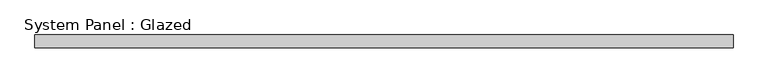
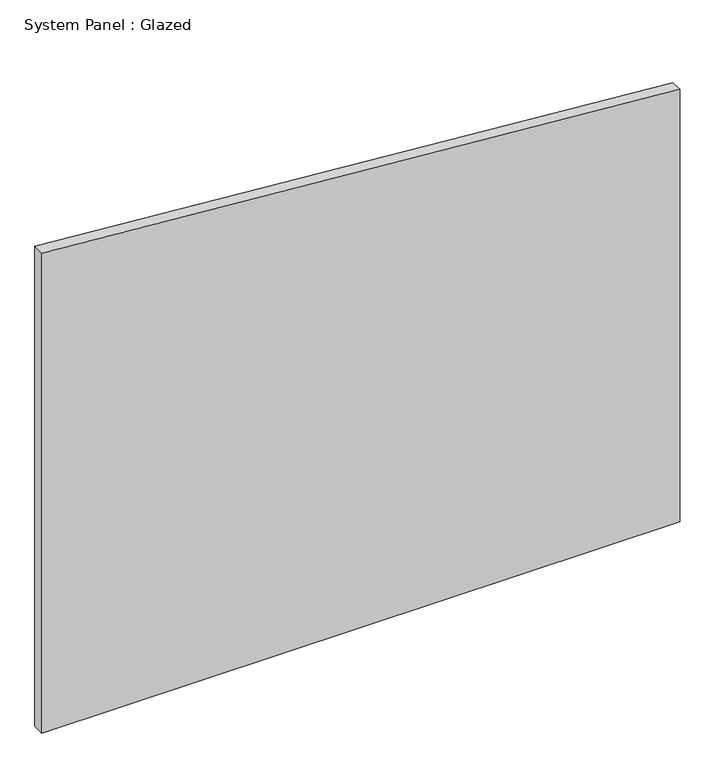
"""IFC4 building model written with IfcOpenShell, lengths in millimetres: plate geometry, System Panel : Glazed."""

from ifc_helpers import new_model, si_unit, frame, origin, place, context, project, spatial, polyline, outline, extrude, source, transform, mapped, element, save


def system_panel_glazed_3e7687fb(model_context):
    return source(origin(), model_context, "Body", "SweptSolid", [
        extrude(outline(polyline([(0.0, -685.05), (0.0, 685.05), (980.7419836, 685.05), (1088.996916, -685.05), (0.0, -685.05)])), frame((0.0, 19.05, 0.0), z_axis=(0.0, 1.0, 0.0), x_axis=(0.0, 0.0, 1.0)), (0.0, 0.0, 1.0), 25.4),
    ])


if __name__ == "__main__":
    model = new_model("IFC4")
    model_context = context("Model", 3, world=origin())
    ifc_project = project(units=[si_unit("LENGTHUNIT", "METRE", prefix="MILLI")], contexts=[model_context])
    site = spatial("IfcSite", under=ifc_project)
    building = spatial("IfcBuilding", under=site)
    placement = place(None, origin())
    system_panel_glazed_shape = system_panel_glazed_3e7687fb(model_context)
    element("IfcPlate", 1, ObjectType="System Panel : Glazed", at=placement, inside=building, context=model_context, shape_type="MappedRepresentation", body=[
        mapped(system_panel_glazed_shape, transform((0.0, 0.0, 0.0), x_axis=(1.0, 0.0, 0.0), y_axis=(0.0, 1.0, 0.0), z_axis=(0.0, 0.0, 1.0))),
    ])
    save(model, "model.ifc")
